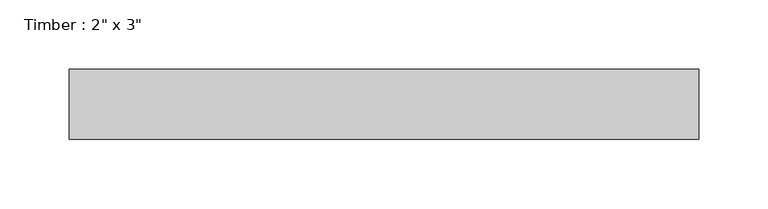
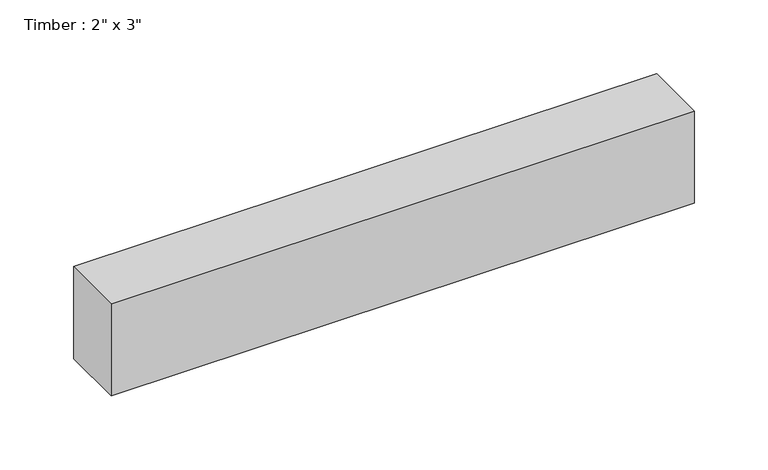
"""IFC4 building model written with IfcOpenShell, lengths in millimetres: beam geometry."""

from ifc_helpers import new_model, si_unit, frame, origin, place, context, project, spatial, polyline, outline, extrude, source, transform, mapped, element, save


def beam_ff31bf15(model_context):
    return source(origin(), model_context, "Body", "SweptSolid", [
        extrude(outline(polyline([(227.6938822, 25.4), (227.6938822, -25.4), (-227.6938822, -25.4), (-227.6938822, 25.4), (227.6938822, 25.4)])), frame((0.0, 0.0, -38.1), z_axis=(0.0, 0.0, 1.0), x_axis=(1.0, 0.0, 0.0)), (0.0, 0.0, 1.0), 76.2),
    ])


if __name__ == "__main__":
    model = new_model("IFC4")
    model_context = context("Model", 3, world=origin())
    ifc_project = project(units=[si_unit("LENGTHUNIT", "METRE", prefix="MILLI")], contexts=[model_context])
    site = spatial("IfcSite", under=ifc_project)
    building = spatial("IfcBuilding", under=site)
    placement = place(None, origin())
    beam_shape = beam_ff31bf15(model_context)
    element("IfcBeam", 1, ObjectType="Timber : 2\" x 3\"", at=placement, inside=building, context=model_context, shape_type="MappedRepresentation", body=[
        mapped(beam_shape, transform((0.0, 0.0, 0.0), x_axis=(1.0, 0.0, 0.0), y_axis=(0.0, 1.0, 0.0), z_axis=(0.0, 0.0, 1.0))),
    ])
    save(model, "model.ifc")
